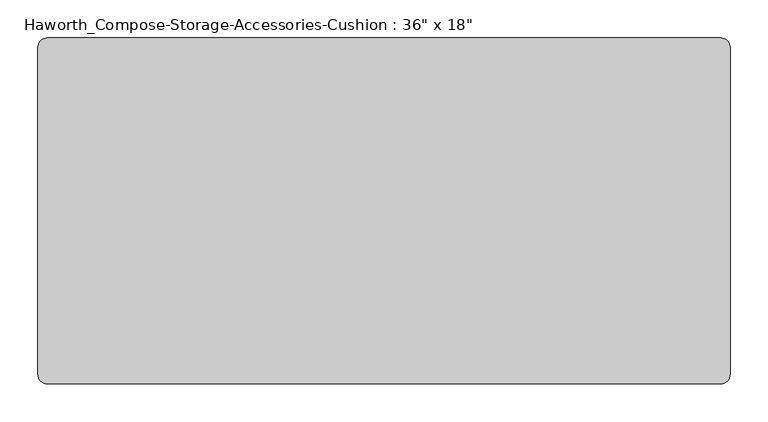
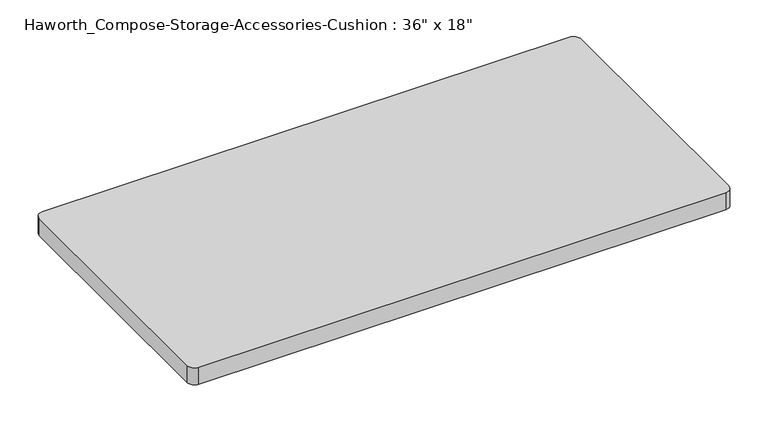
"""IFC4 building model written with IfcOpenShell, lengths in millimetres: furniture geometry."""

from ifc_helpers import new_model, si_unit, point, frame, frame_2d, origin, place, context, project, spatial, polyline, circle_curve, trimmed, segment, composite_curve, outline, extrude, source, transform, mapped, element, save


def furniture_2eb418bc(model_context):
    return source(origin(), model_context, "Body", "SweptSolid", [
        extrude(outline(composite_curve([segment(trimmed(circle_curve(frame_2d((444.5, 215.9)), 12.7), [point((444.5, 228.6))], [point((457.2, 215.9))], False, "CARTESIAN"), True, "CONTINUOUS"), segment(polyline([(457.2, 215.9), (457.2, -215.9)]), True, "CONTINUOUS"), segment(trimmed(circle_curve(frame_2d((444.5, -215.9)), 12.7), [point((457.2, -215.9))], [point((444.5, -228.6))], False, "CARTESIAN"), True, "CONTINUOUS"), segment(polyline([(444.5, -228.6), (-444.5, -228.6)]), True, "CONTINUOUS"), segment(trimmed(circle_curve(frame_2d((-444.5, -215.9)), 12.7), [point((-444.5, -228.6))], [point((-457.2, -215.9))], False, "CARTESIAN"), True, "CONTINUOUS"), segment(polyline([(-457.2, -215.9), (-457.2, 215.9)]), True, "CONTINUOUS"), segment(trimmed(circle_curve(frame_2d((-444.5, 215.9)), 12.7), [point((-457.2, 215.9))], [point((-444.5, 228.6))], False, "CARTESIAN"), True, "CONTINUOUS"), segment(polyline([(-444.5, 228.6), (444.5, 228.6)]), True, "CONTINUOUS")], self_intersect=False)), frame((0.0, 0.0, 609.6), z_axis=(0.0, 0.0, 1.0), x_axis=(1.0, 0.0, 0.0)), (0.0, 0.0, 1.0), 30.1625),
    ])


if __name__ == "__main__":
    model = new_model("IFC4")
    model_context = context("Model", 3, world=origin())
    ifc_project = project(units=[si_unit("LENGTHUNIT", "METRE", prefix="MILLI")], contexts=[model_context])
    site = spatial("IfcSite", under=ifc_project)
    building = spatial("IfcBuilding", under=site)
    placement = place(None, origin())
    furniture_shape = furniture_2eb418bc(model_context)
    element("IfcFurniture", 1, ObjectType="Haworth_Compose-Storage-Accessories-Cushion : 36\" x 18\"", at=placement, inside=building, context=model_context, shape_type="MappedRepresentation", body=[
        mapped(furniture_shape, transform((0.0, 0.0, 0.0), x_axis=(1.0, 0.0, 0.0), y_axis=(0.0, 1.0, 0.0), z_axis=(0.0, 0.0, 1.0))),
    ])
    save(model, "model.ifc")
